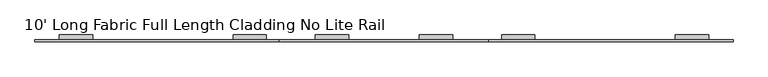
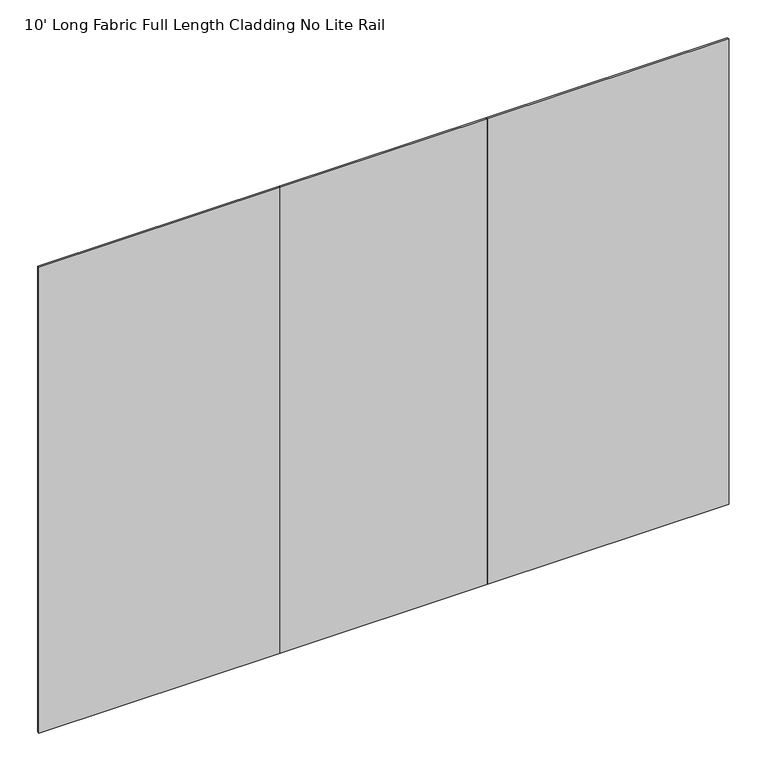
"""IFC4 building model written with IfcOpenShell, lengths in millimetres: furniture geometry, 10' Long Fabric Full Length Cladding No Lite Rail."""

from ifc_helpers import new_model, si_unit, frame, origin, place, context, project, spatial, polyline, outline, extrude, source, transform, mapped, element, save


def furniture_10_long_fabric_full_length_cladding_no_lite_rail_5e1f9154(model_context):
    return source(origin(), model_context, "Body", "SweptSolid", [
        extrude(outline(polyline([(3048.0, -4.7752), (1981.2, -4.7752), (1981.2, 4.7498), (3048.0, 4.7498), (3048.0, -4.7752)])), frame((0.0, 0.0, 12.7), z_axis=(0.0, 0.0, 1.0), x_axis=(1.0, 0.0, 0.0)), (0.0, 0.0, 1.0), 2173.6010468),
        extrude(outline(polyline([(1981.2, -4.7752), (1066.8, -4.7752), (1066.8, 4.7498), (1981.2, 4.7498), (1981.2, -4.7752)])), frame((0.0, 0.0, 12.7), z_axis=(0.0, 0.0, 1.0), x_axis=(1.0, 0.0, 0.0)), (0.0, 0.0, 1.0), 2173.6010468),
        extrude(outline(polyline([(1066.8, -4.7752), (0.0, -4.7752), (0.0, 4.7498), (1066.8, 4.7498), (1066.8, -4.7752)])), frame((0.0, 0.0, 12.7), z_axis=(0.0, 0.0, 1.0), x_axis=(1.0, 0.0, 0.0)), (0.0, 0.0, 1.0), 2173.6010468),
        extrude(outline(polyline([(4.7498, 2116.3226334), (24.8177997, 2116.3226334), (24.8177997, 2115.4106251), (5.6618003, 2115.4106251), (5.6618003, 2083.5286322), (24.8177997, 2083.5286322), (24.8177997, 2079.4995474), (5.6618003, 2079.4995474), (5.6618003, 2013.998531), (4.7498, 2013.998531), (4.7498, 2116.3226334)])), frame((2037.434988, 0.0, 0.0), z_axis=(1.0, 0.0, 0.0), x_axis=(0.0, 1.0, 0.0)), (0.0, 0.0, 1.0), 144.4200002),
        extrude(outline(polyline([(4.7498, 2116.3226334), (24.8177997, 2116.3226334), (24.8177997, 2115.4106251), (5.6618003, 2115.4106251), (5.6618003, 2083.5286322), (24.8177997, 2083.5286322), (24.8177997, 2079.4995474), (5.6618003, 2079.4995474), (5.6618003, 2013.998531), (4.7498, 2013.998531), (4.7498, 2116.3226334)])), frame((866.100017, 0.0, 0.0), z_axis=(1.0, 0.0, 0.0), x_axis=(0.0, 1.0, 0.0)), (0.0, 0.0, 1.0), 144.4200002),
        extrude(outline(polyline([(4.7498, 2116.3226334), (24.8177997, 2116.3226334), (24.8177997, 2115.4106251), (5.6618003, 2115.4106251), (5.6618003, 2083.5286322), (24.8177997, 2083.5286322), (24.8177997, 2079.4995474), (5.6618003, 2079.4995474), (5.6618003, 2013.998531), (4.7498, 2013.998531), (4.7498, 2116.3226334)])), frame((1678.9450118, 0.0, 0.0), z_axis=(1.0, 0.0, 0.0), x_axis=(0.0, 1.0, 0.0)), (0.0, 0.0, 1.0), 144.4200002),
        extrude(outline(polyline([(4.7498, 2116.3245525), (24.8177997, 2116.3245525), (24.8177997, 2115.4125443), (5.6618003, 2115.4125443), (5.6618003, 2083.5305513), (24.8177997, 2083.5305513), (24.8177997, 2079.5014665), (5.6618003, 2079.5014665), (5.6618003, 2013.9995483), (4.7498, 2013.9995483), (4.7498, 2116.3245525)])), frame((2796.500017, 0.0, 0.0), z_axis=(1.0, 0.0, 0.0), x_axis=(0.0, 1.0, 0.0)), (0.0, 0.0, 1.0), 144.4200002),
        extrude(outline(polyline([(4.7498, 2116.3245525), (24.8177997, 2116.3245525), (24.8177997, 2115.4125443), (5.6618003, 2115.4125443), (5.6618003, 2083.5305513), (24.8177997, 2083.5305513), (24.8177997, 2079.5014665), (5.6618003, 2079.5014665), (5.6618003, 2013.9995483), (4.7498, 2013.9995483), (4.7498, 2116.3245525)])), frame((1224.634988, 0.0, 0.0), z_axis=(1.0, 0.0, 0.0), x_axis=(0.0, 1.0, 0.0)), (0.0, 0.0, 1.0), 144.4200002),
        extrude(outline(polyline([(4.7498, 2116.3226334), (24.8177997, 2116.3226334), (24.8177997, 2115.4106251), (5.6618003, 2115.4106251), (5.6618003, 2083.5286322), (24.8177997, 2083.5286322), (24.8177997, 2079.4995474), (5.6618003, 2079.4995474), (5.6618003, 2013.998531), (4.7498, 2013.998531), (4.7498, 2116.3226334)])), frame((107.0799829, 0.0, 0.0), z_axis=(1.0, 0.0, 0.0), x_axis=(0.0, 1.0, 0.0)), (0.0, 0.0, 1.0), 144.4200002),
    ])


if __name__ == "__main__":
    model = new_model("IFC4")
    model_context = context("Model", 3, world=origin())
    ifc_project = project(units=[si_unit("LENGTHUNIT", "METRE", prefix="MILLI")], contexts=[model_context])
    site = spatial("IfcSite", under=ifc_project)
    building = spatial("IfcBuilding", under=site)
    placement = place(None, origin())
    furniture_10_long_fabric_full_length_cladding_no_lite_rail_shape = furniture_10_long_fabric_full_length_cladding_no_lite_rail_5e1f9154(model_context)
    element("IfcFurniture", 1, ObjectType="10' Long Fabric Full Length Cladding No Lite Rail", at=placement, inside=building, context=model_context, shape_type="MappedRepresentation", body=[
        mapped(furniture_10_long_fabric_full_length_cladding_no_lite_rail_shape, transform((0.0, 0.0, 0.0), x_axis=(1.0, 0.0, 0.0), y_axis=(0.0, 1.0, 0.0), z_axis=(0.0, 0.0, 1.0))),
    ])
    save(model, "model.ifc")
